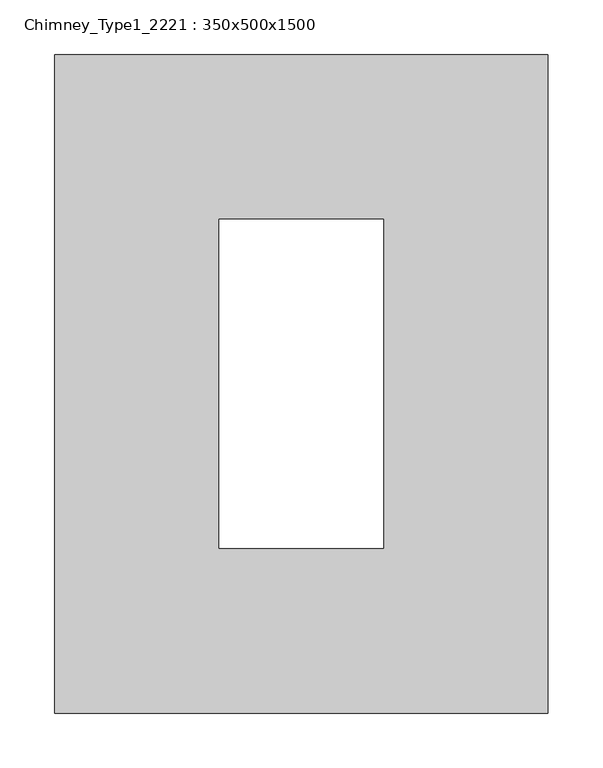
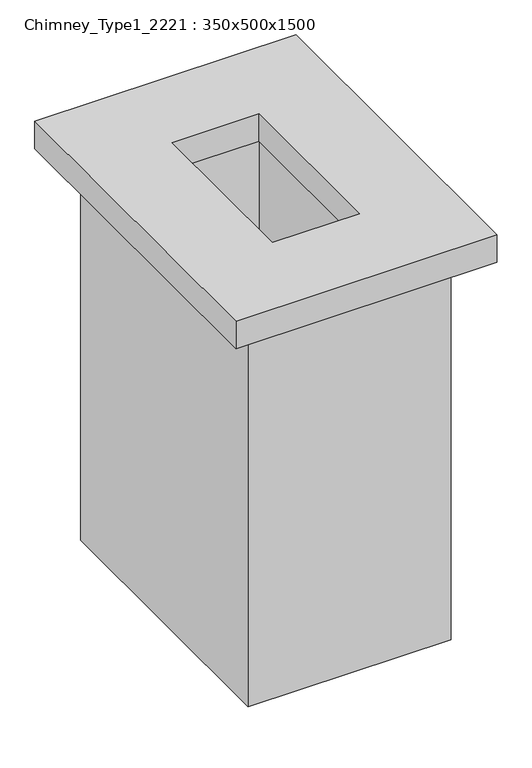
"""IFC4 building model written with IfcOpenShell, lengths in millimetres: furniture geometry, Chimney_Type1_2221 : 350x500x1500."""

from ifc_helpers import new_model, si_unit, frame, origin, origin_with_axes, place, context, project, spatial, polyline, outline, extrude, source, transform, mapped, element, save


def chimney_type1_2221_350x500x1500_842d32dd(model_context):
    return source(origin(), model_context, "Body", "SweptSolid", [
        extrude(outline(polyline([(-225.0, 300.0), (225.0, 300.0), (225.0, -300.0), (-225.0, -300.0), (-225.0, 300.0)]), holes=[polyline([(75.0, 150.0), (-75.0, 150.0), (-75.0, -150.0), (75.0, -150.0), (75.0, 150.0)])]), frame((0.0, 0.0, 700.0), z_axis=(0.0, 0.0, 1.0), x_axis=(1.0, 0.0, 0.0)), (0.0, 0.0, 1.0), 50.0),
        extrude(outline(polyline([(-175.0, 250.0), (175.0, 250.0), (175.0, -250.0), (-175.0, -250.0), (-175.0, 250.0)]), holes=[polyline([(-75.0, 150.0), (-75.0, -150.0), (75.0, -150.0), (75.0, 150.0), (-75.0, 150.0)])]), origin_with_axes(), (0.0, 0.0, 1.0), 700.0),
    ])


if __name__ == "__main__":
    model = new_model("IFC4")
    model_context = context("Model", 3, world=origin())
    ifc_project = project(units=[si_unit("LENGTHUNIT", "METRE", prefix="MILLI")], contexts=[model_context])
    site = spatial("IfcSite", under=ifc_project)
    building = spatial("IfcBuilding", under=site)
    placement = place(None, origin())
    chimney_type1_2221_350x500x1500_shape = chimney_type1_2221_350x500x1500_842d32dd(model_context)
    element("IfcFurniture", 1, ObjectType="Chimney_Type1_2221 : 350x500x1500", at=placement, inside=building, context=model_context, shape_type="MappedRepresentation", body=[
        mapped(chimney_type1_2221_350x500x1500_shape, transform((0.0, 0.0, 0.0), x_axis=(1.0, 0.0, 0.0), y_axis=(0.0, 1.0, 0.0), z_axis=(0.0, 0.0, 1.0))),
    ])
    save(model, "model.ifc")
